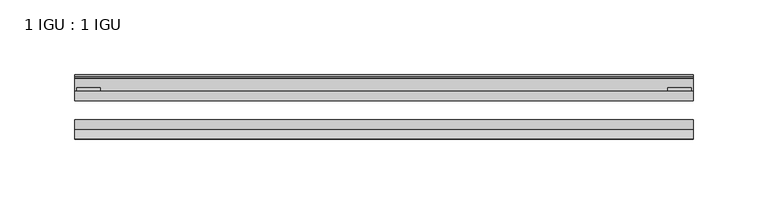
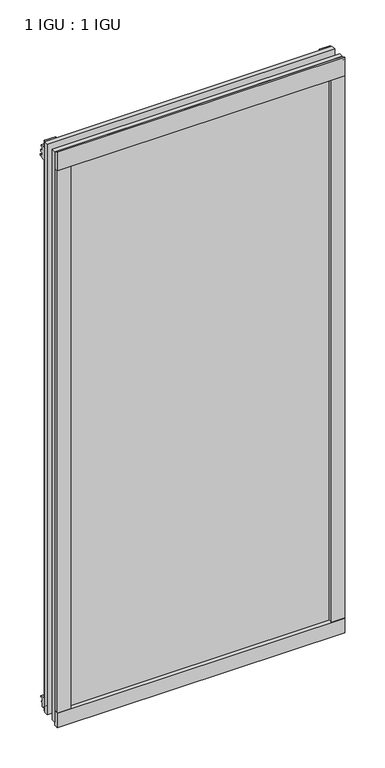
"""IFC4 building model written with IfcOpenShell, lengths in millimetres: plate geometry, 1 IGU : 1 IGU."""

from ifc_helpers import new_model, si_unit, point, frame, frame_2d, origin, place, context, project, spatial, polyline, circle_curve, trimmed, segment, composite_curve, outline, extrude, source, transform, mapped, element, save


def plate_1_igu_1_igu_442d3857(model_context):
    return source(origin(), model_context, "Body", "SweptSolid", [
        extrude(outline(polyline([(206.8731437, 0.0021347), (206.8731437, -6.2992), (-206.8731437, -6.2992), (-206.8731437, 0.0021347), (206.8731437, 0.0021347)])), frame((0.0, 0.0, -17.4498), z_axis=(0.0, 0.0, 1.0), x_axis=(1.0, 0.0, 0.0)), (0.0, 0.0, 1.0), 868.3366072),
        extrude(outline(polyline([(-206.8731437, -19.0986653), (206.8731437, -19.0986653), (206.8731437, -25.3978653), (-206.8731437, -25.3978653), (-206.8731437, -19.0986653)])), frame((0.0, 0.0, -17.4498), z_axis=(0.0, 0.0, 1.0), x_axis=(1.0, 0.0, 0.0)), (0.0, 0.0, 1.0), 868.3366072),
        extrude(outline(composite_curve([segment(polyline([(-31.75, 0.0), (-25.4, 0.0), (-25.4, -22.225)]), True, "CONTINUOUS"), segment(trimmed(circle_curve(frame_2d((-28.575, -28.9113452)), 7.4018806), [point((-25.4, -22.225))], [point((-31.75, -22.225))], True, "CARTESIAN"), True, "CONTINUOUS"), segment(polyline([(-31.75, -22.225), (-31.75, 0.0)]), True, "CONTINUOUS")], self_intersect=False)), frame((-206.8731437, 0.0, 0.0), z_axis=(1.0, 0.0, 0.0), x_axis=(0.0, 1.0, 0.0)), (0.0, 0.0, 1.0), 413.7462875),
        extrude(outline(composite_curve([segment(trimmed(circle_curve(frame_2d((13.6593785, 32.4202472)), 31.3046461), [point((0.0, 4.2528503))], [point((9.3980339, 1.406995))], True, "CARTESIAN"), True, "CONTINUOUS"), segment(polyline([(9.3980339, 1.406995), (9.3980339, 0.0254), (6.35, 0.0254), (6.35, -5.1625788), (7.7309478, -5.3970663), (6.35, -8.0073788), (6.35, -11.8471127)]), True, "CONTINUOUS"), segment(trimmed(circle_curve(frame_2d((5.334, -11.8471127)), 1.016), [point((6.35, -11.8471127))], [point((4.6284878, -12.5782136))], False, "CARTESIAN"), True, "CONTINUOUS"), segment(trimmed(circle_curve(frame_2d((-23.3689302, -41.5910901)), 40.3187601), [point((4.6284878, -12.5782136))], [point((0.0, -8.735413))], True, "CARTESIAN"), True, "CONTINUOUS"), segment(polyline([(0.0, -8.735413), (0.0, 4.2528503)]), True, "CONTINUOUS")], self_intersect=False)), frame((-206.8731437, 0.0, 0.0), z_axis=(1.0, 0.0, 0.0), x_axis=(0.0, 1.0, 0.0)), (0.0, 0.0, 1.0), 413.7462875),
        extrude(outline(composite_curve([segment(polyline([(8.509, 840.7300284), (8.509, 838.6980284), (6.35, 838.6980284), (6.35, 833.3640284), (8.9492698, 833.3640284)]), True, "CONTINUOUS"), segment(trimmed(circle_curve(frame_2d((8.208689, 831.8368072)), 1.697311), [point((8.9492698, 833.3640284))], [point((8.962411, 830.3160284))], False, "CARTESIAN"), True, "CONTINUOUS"), segment(polyline([(8.962411, 830.3160284), (6.35, 830.3160284), (6.35, 825.4868072), (11.1252, 825.4868072), (11.1252, 824.5978072)]), True, "CONTINUOUS"), segment(trimmed(circle_curve(frame_2d((10.1092, 824.5978072)), 1.016), [point((11.1252, 824.5978072))], [point((10.1092, 823.5818072))], False, "CARTESIAN"), True, "CONTINUOUS"), segment(trimmed(circle_curve(frame_2d((10.1092, 804.1707318)), 19.4110754), [point((10.1092, 823.5818072))], [point((0.0, 820.7416075))], True, "CARTESIAN"), True, "CONTINUOUS"), segment(polyline([(0.0, 820.7416075), (0.0, 840.7300284), (8.509, 840.7300284)]), True, "CONTINUOUS")], self_intersect=False)), frame((-206.8731437, 0.0, 0.0), z_axis=(1.0, 0.0, 0.0), x_axis=(0.0, 1.0, 0.0)), (0.0, 0.0, 1.0), 413.7462875),
        extrude(outline(composite_curve([segment(polyline([(-25.4, 850.8868072), (-25.4, 825.4868072), (-31.75, 825.4868072), (-31.75, 853.6597045)]), True, "CONTINUOUS"), segment(trimmed(circle_curve(frame_2d((-24.1401272, 862.4292187)), 11.6109665), [point((-31.75, 853.6597045))], [point((-25.4, 850.8868072))], True, "CARTESIAN"), True, "CONTINUOUS")], self_intersect=False)), frame((-206.8731437, 0.0, 0.0), z_axis=(1.0, 0.0, 0.0), x_axis=(0.0, 1.0, 0.0)), (0.0, 0.0, 1.0), 413.7462875),
        extrude(outline(composite_curve([segment(polyline([(187.8231437, -25.4), (206.8731437, -25.4)]), True, "CONTINUOUS"), segment(trimmed(circle_curve(frame_2d((216.3392944, -28.575)), 9.9844196), [point((206.8731437, -25.4))], [point((206.8731437, -31.75))], True, "CARTESIAN"), True, "CONTINUOUS"), segment(polyline([(206.8731437, -31.75), (187.8231437, -31.75), (187.8231437, -25.4)]), True, "CONTINUOUS")], self_intersect=False)), frame((0.0, 0.0, -17.4498), z_axis=(0.0, 0.0, 1.0), x_axis=(1.0, 0.0, 0.0)), (0.0, 0.0, 1.0), 868.3366072),
        extrude(outline(polyline([(205.6666437, 2.2860088), (205.6666437, 0.0021347), (189.7916437, 0.0021347), (189.7916437, 2.2860088), (205.6666437, 2.2860088)])), frame((0.0, 0.0, -17.4498), z_axis=(0.0, 0.0, 1.0), x_axis=(1.0, 0.0, 0.0)), (0.0, 0.0, 1.0), 868.3366072),
        extrude(outline(composite_curve([segment(trimmed(circle_curve(frame_2d((-216.3392944, -28.575)), 9.9844196), [point((-206.8731437, -31.75))], [point((-206.8731437, -25.4))], True, "CARTESIAN"), True, "CONTINUOUS"), segment(polyline([(-206.8731437, -25.4), (-187.8231437, -25.4), (-187.8231437, -31.75), (-206.8731437, -31.75)]), True, "CONTINUOUS")], self_intersect=False)), frame((0.0, 0.0, -17.4498), z_axis=(0.0, 0.0, 1.0), x_axis=(1.0, 0.0, 0.0)), (0.0, 0.0, 1.0), 868.3366072),
        extrude(outline(polyline([(-205.6666437, 0.0), (-205.6666437, 2.286), (-189.7916437, 2.286), (-189.7916437, 0.0), (-205.6666437, 0.0)])), frame((0.0, 0.0, -17.4498), z_axis=(0.0, 0.0, 1.0), x_axis=(1.0, 0.0, 0.0)), (0.0, 0.0, 1.0), 868.3366072),
    ])


if __name__ == "__main__":
    model = new_model("IFC4")
    model_context = context("Model", 3, world=origin())
    ifc_project = project(units=[si_unit("LENGTHUNIT", "METRE", prefix="MILLI")], contexts=[model_context])
    site = spatial("IfcSite", under=ifc_project)
    building = spatial("IfcBuilding", under=site)
    placement = place(None, origin())
    plate_1_igu_1_igu_shape = plate_1_igu_1_igu_442d3857(model_context)
    element("IfcPlate", 1, ObjectType="1 IGU : 1 IGU", at=placement, inside=building, context=model_context, shape_type="MappedRepresentation", body=[
        mapped(plate_1_igu_1_igu_shape, transform((0.0, 0.0, 0.0), x_axis=(1.0, 0.0, 0.0), y_axis=(0.0, 1.0, 0.0), z_axis=(0.0, 0.0, 1.0))),
    ])
    save(model, "model.ifc")
